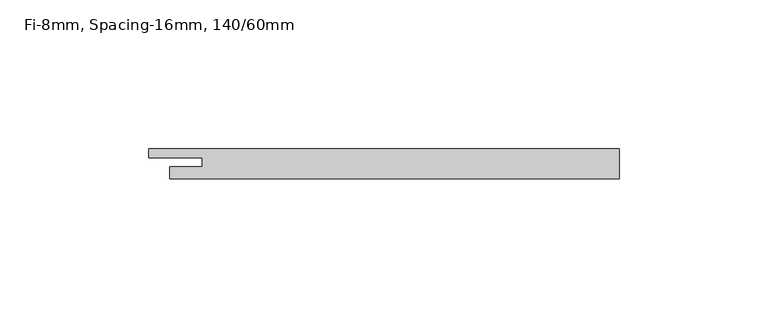
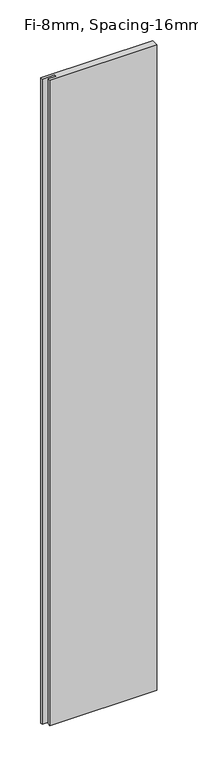
"""IFC4 building model written with IfcOpenShell, lengths in millimetres: plate geometry, Fi-8mm, Spacing-16mm, 140/60mm."""

import ifcopenshell
import ifcopenshell.guid

model = None  # the IFC model being written
_history = None  # IfcOwnerHistory: only IFC2X3 demands one
_inside = {}  # id of a spatial element -> (the spatial element, [elements in it])
_under = {}  # id of a project, library or spatial element -> (it, [spatial elements below it])
_declared = {}  # id of a project -> (the project, [libraries it declares])
_typed = {}  # id of a type object -> (the type object, [elements of that type])
_made_of = {}  # id of a material, layer set ... -> (it, [elements and type objects made of it])


def new_model(schema):
    """Start an empty IFC model of exactly this schema.

    Asked for "IFC4X3", IfcOpenShell would pick the latest addendum, in which some entities
    have other attributes; the version numbers below select the first issue.
    IFC2X3 requires an IfcOwnerHistory on every rooted entity: one is made here for all.
    """
    global model, _history
    if schema == "IFC4X3":
        model = ifcopenshell.file(schema_version=(4, 3, 0, 0))
    else:
        model = ifcopenshell.file(schema=schema)
    _inside.clear()
    _under.clear()
    _declared.clear()
    _typed.clear()
    _made_of.clear()
    _history = None
    if model.schema == "IFC2X3":
        org = make("IfcOrganization", Name="unknown")
        user = make(
            "IfcPersonAndOrganization",
            ThePerson=make("IfcPerson", FamilyName="unknown"),
            TheOrganization=org,
        )
        app = make(
            "IfcApplication",
            ApplicationDeveloper=org,
            Version="unknown",
            ApplicationFullName="unknown",
            ApplicationIdentifier="unknown",
        )
        _history = make(
            "IfcOwnerHistory",
            OwningUser=user,
            OwningApplication=app,
            ChangeAction="ADDED",
            CreationDate=0,
        )
    return model


def make(cls, **values):
    """One entity of the class cls with the attributes given. An attribute that is None is left unset."""
    return model.create_entity(
        cls, **{name: value for name, value in values.items() if value is not None}
    )


def rooted(cls, **values):
    """An entity with a GlobalId (a new one), such as an element, a storey or a relation."""
    return make(cls, GlobalId=ifcopenshell.guid.new(), OwnerHistory=_history, **values)


def si_unit(unit_type, name, prefix=None):
    """IfcSIUnit, for example si_unit("LENGTHUNIT", "METRE", prefix="MILLI")."""
    return make("IfcSIUnit", UnitType=unit_type, Prefix=prefix, Name=name)


def assignment(units):
    """IfcUnitAssignment: the units of a project."""
    return None if units is None else make("IfcUnitAssignment", Units=units)


def point(xyz):
    """IfcCartesianPoint."""
    return None if xyz is None else make("IfcCartesianPoint", Coordinates=xyz)


def direction(xyz):
    """IfcDirection."""
    return None if xyz is None else make("IfcDirection", DirectionRatios=xyz)


def frame(location, z_axis=None, x_axis=None):
    """IfcAxis2Placement3D, a coordinate frame: its origin and axes. An axis left out is left unset."""
    return make(
        "IfcAxis2Placement3D",
        Location=point(location),
        Axis=direction(z_axis),
        RefDirection=direction(x_axis),
    )


def origin():
    """The frame at (0, 0, 0) with its axes left unset."""
    return frame((0.0, 0.0, 0.0))


def origin_with_axes():
    """The frame at (0, 0, 0) with the z axis (0, 0, 1) and the x axis (1, 0, 0) written out."""
    return frame((0.0, 0.0, 0.0), z_axis=(0.0, 0.0, 1.0), x_axis=(1.0, 0.0, 0.0))


def place(relative_to, where):
    """IfcLocalPlacement: puts the frame where relative to a parent placement (None: the world)."""
    return make(
        "IfcLocalPlacement", PlacementRelTo=relative_to, RelativePlacement=where
    )


def context(
    kind, dimensions, precision=None, world=None, true_north=None, identifier=None
):
    """IfcGeometricRepresentationContext, for example the 3D "Model" context."""
    return make(
        "IfcGeometricRepresentationContext",
        ContextIdentifier=identifier,
        ContextType=kind,
        CoordinateSpaceDimension=dimensions,
        Precision=precision,
        WorldCoordinateSystem=world,
        TrueNorth=true_north,
    )


def project(units=None, contexts=None):
    """IfcProject with its units and contexts."""
    return rooted(
        "IfcProject",
        Name="project",
        RepresentationContexts=contexts,
        UnitsInContext=assignment(units),
    )


def spatial(cls, under=None, at=None, **own):
    """A site, building, storey or space (cls), placed at a placement, below another one or the project."""
    s = rooted(cls, ObjectPlacement=at, **own)
    if under is not None:
        _under.setdefault(under.id(), (under, []))[1].append(s)
    return s


def polyline(points):
    """IfcPolyline through the points."""
    return make("IfcPolyline", Points=[point(p) for p in points])


def outline(outer, holes=None, kind="AREA"):
    """IfcArbitraryClosedProfileDef: a profile drawn as a closed curve; with holes, ...WithVoids."""
    if holes is None:
        return make("IfcArbitraryClosedProfileDef", ProfileType=kind, OuterCurve=outer)
    return make(
        "IfcArbitraryProfileDefWithVoids",
        ProfileType=kind,
        OuterCurve=outer,
        InnerCurves=holes,
    )


def extrude(swept, where, along, depth):
    """IfcExtrudedAreaSolid: the profile swept, set in the frame where, extruded along a direction by depth."""
    return make(
        "IfcExtrudedAreaSolid",
        SweptArea=swept,
        Position=where,
        ExtrudedDirection=direction(along),
        Depth=depth,
    )


def shape(context_of_items, identifier, shape_type, items):
    """IfcShapeRepresentation: the items that make up one representation, for example the "Body"."""
    return make(
        "IfcShapeRepresentation",
        ContextOfItems=context_of_items,
        RepresentationIdentifier=identifier,
        RepresentationType=shape_type,
        Items=items,
    )


def source(mapping_origin, context_of_items, identifier, shape_type, items):
    """IfcRepresentationMap: a shape defined once, which mapped items show again and again."""
    return make(
        "IfcRepresentationMap",
        MappingOrigin=mapping_origin,
        MappedRepresentation=shape(context_of_items, identifier, shape_type, items),
    )


def transform(
    local_origin,
    x_axis=None,
    y_axis=None,
    z_axis=None,
    scale=None,
    scale2=None,
    scale3=None,
    uniform=True,
):
    """IfcCartesianTransformationOperator3D, or its non-uniform kind. x_axis, y_axis, z_axis: its Axis1, 2, 3."""
    if uniform:
        return make(
            "IfcCartesianTransformationOperator3D",
            Axis1=direction(x_axis),
            Axis2=direction(y_axis),
            LocalOrigin=point(local_origin),
            Scale=scale,
            Axis3=direction(z_axis),
        )
    return make(
        "IfcCartesianTransformationOperator3DnonUniform",
        Axis1=direction(x_axis),
        Axis2=direction(y_axis),
        LocalOrigin=point(local_origin),
        Scale=scale,
        Axis3=direction(z_axis),
        Scale2=scale2,
        Scale3=scale3,
    )


def mapped(mapping_source, mapping_target):
    """IfcMappedItem: shows the shape of a source again, moved by a transform."""
    return make(
        "IfcMappedItem", MappingSource=mapping_source, MappingTarget=mapping_target
    )


def made_of(thing, what):
    """Note that an element or type object is made of a material, layer set ...; save() writes the relation."""
    if what is not None:
        _made_of.setdefault(what.id(), (what, []))[1].append(thing)
    return thing


def element(
    cls,
    number,
    at=None,
    inside=None,
    cuts=None,
    type_object=None,
    material=None,
    context=None,
    identifier="Body",
    shape_type=None,
    held_by="IfcProductDefinitionShape",
    body=None,
    shapes=None,
    **own,
):
    """One element of the class cls, such as IfcWall. Its Tag is "e" and its number.

    at: its placement. inside: the storey or other place that contains it. cuts: it is an
    opening in that element (IfcRelVoidsElement). A single representation is given by context,
    identifier, shape_type and body (its items); several are given by shapes. held_by: the class
    of the entity that holds the representations. save() writes the other relations.
    """
    e = rooted(cls, Tag="e%d" % number, ObjectPlacement=at, **own)
    if body is not None:
        shapes = [shape(context, identifier, shape_type, body)]
    if shapes is not None:
        e.Representation = make(held_by, Representations=shapes)
    if inside is not None:
        _inside.setdefault(inside.id(), (inside, []))[1].append(e)
    if cuts is not None:
        rooted(
            "IfcRelVoidsElement", RelatingBuildingElement=cuts, RelatedOpeningElement=e
        )
    if type_object is not None:
        _typed.setdefault(type_object.id(), (type_object, []))[1].append(e)
    return made_of(e, material)


def aggregate(whole, parts):
    """IfcRelAggregates: a whole, such as a stair, and the parts it consists of."""
    return rooted("IfcRelAggregates", RelatingObject=whole, RelatedObjects=parts)


def save(model, path):
    """Write the relations noted so far, then the file.

    IfcRelAggregates (storeys below a building ...), IfcRelContainedInSpatialStructure (elements
    in a storey), IfcRelDefinesByType, IfcRelAssociatesMaterial and IfcRelDeclares: one each for
    every whole, place, type object, material and project.
    """
    for whole, parts in _under.values():
        aggregate(whole, parts)
    for where, things in _inside.values():
        rooted(
            "IfcRelContainedInSpatialStructure",
            RelatedElements=things,
            RelatingStructure=where,
        )
    for kind, things in _typed.values():
        rooted("IfcRelDefinesByType", RelatedObjects=things, RelatingType=kind)
    for what, things in _made_of.values():
        rooted("IfcRelAssociatesMaterial", RelatedObjects=things, RelatingMaterial=what)
    for by, libraries in _declared.values():
        rooted("IfcRelDeclares", RelatingContext=by, RelatedDefinitions=libraries)
    model.write(path)


def fi_8mm_spacing_16mm_140_60mm_ba1734ec(model_context):
    return source(origin(), model_context, "Body", "SweptSolid", [
        extrude(outline(polyline([(75.5, -5.0), (-75.5, -5.0), (-75.5, -1.0), (-64.5, -1.0), (-64.5, 2.0), (-82.5, 2.0), (-82.5, 5.0), (75.5, 5.0), (75.5, -5.0)])), origin_with_axes(), (0.0, 0.0, 1.0), 964.5),
    ])


if __name__ == "__main__":
    model = new_model("IFC4")
    model_context = context("Model", 3, world=origin())
    ifc_project = project(units=[si_unit("LENGTHUNIT", "METRE", prefix="MILLI")], contexts=[model_context])
    site = spatial("IfcSite", under=ifc_project)
    building = spatial("IfcBuilding", under=site)
    placement = place(None, origin())
    fi_8mm_spacing_16mm_140_60mm_shape = fi_8mm_spacing_16mm_140_60mm_ba1734ec(model_context)
    element("IfcPlate", 1, ObjectType="Fi-8mm, Spacing-16mm, 140/60mm", at=placement, inside=building, context=model_context, shape_type="MappedRepresentation", body=[
        mapped(fi_8mm_spacing_16mm_140_60mm_shape, transform((0.0, 0.0, 0.0), x_axis=(1.0, 0.0, 0.0), y_axis=(0.0, 1.0, 0.0), z_axis=(0.0, 0.0, 1.0))),
    ])
    save(model, "model.ifc")
